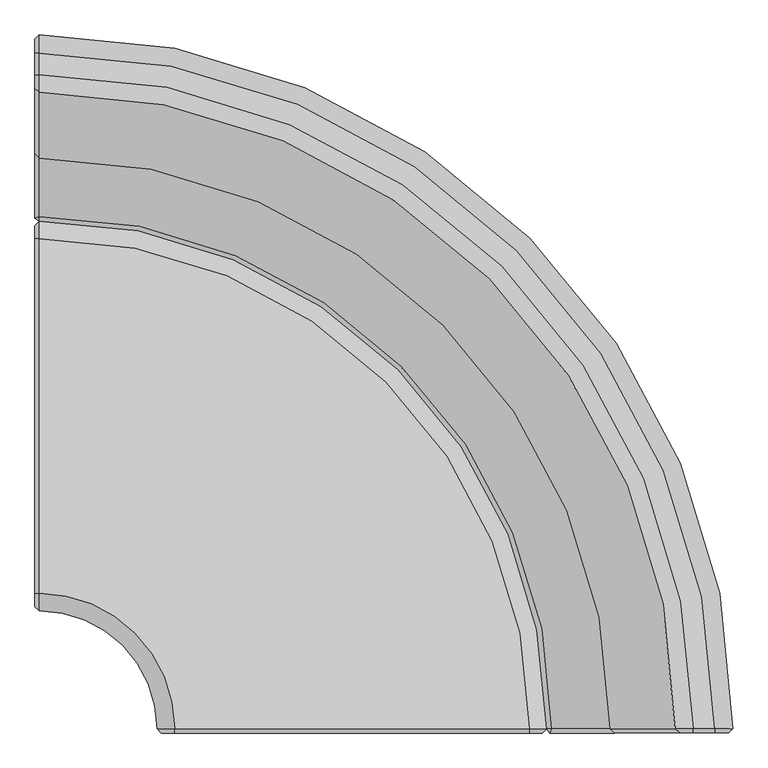
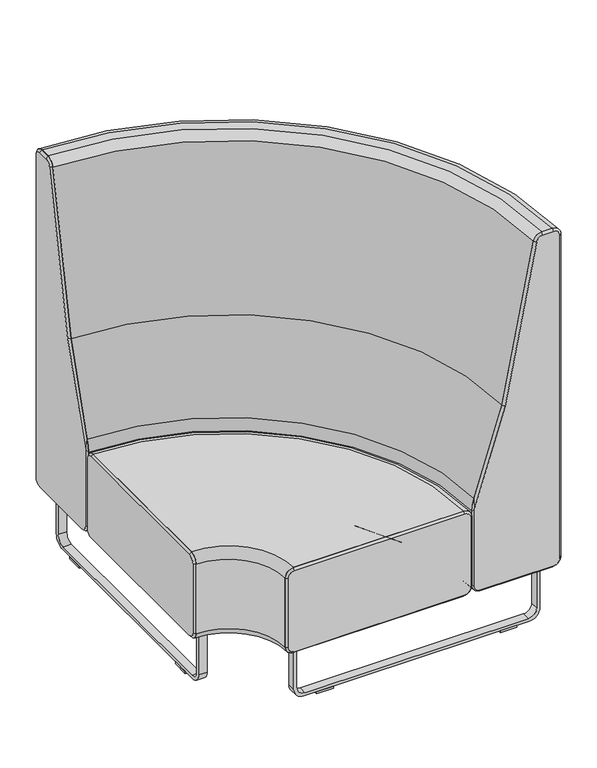
"""IFC4 building model written with IfcOpenShell, lengths in millimetres: furniture geometry."""

from ifc_helpers import new_model, si_unit, point, frame, frame_2d, origin, origin_with_axes, place, context, project, spatial, polyline, circle_curve, ellipse_curve, trimmed, segment, composite_curve, outline, extrude, source, transform, mapped, element, save
from ifc_brep_helpers import plane_surface, cylinder_surface, revolved_surface, spline_surface, advanced_brep


def furniture_26c36df7(model_context):
    return source(origin(), model_context, "Body", "SolidModel", [
        advanced_brep(
        [(-514.9320562, -692.0193165, 209.55), (-514.9320562, -692.0193165, 431.8), (-514.9320562, -666.6193165, 457.2), (-514.9320562, -150.2353139, 457.2), (-514.9320562, -124.8353139, 431.8), (-514.9320562, -124.8353139, 209.55), (-514.9320562, -150.2353139, 184.15), (-514.9320562, -666.6193165, 184.15), (-343.4820562, -863.4693165, 209.55), (-318.0820562, -863.4693165, 184.15), (198.3019463, -863.4693165, 184.15), (223.7019463, -863.4693165, 209.55), (223.7019463, -863.4693165, 431.8), (198.3019463, -863.4693165, 457.2), (-318.0820562, -863.4693165, 457.2), (-343.4820562, -863.4693165, 431.8)],
        [
            (0, 1),
            (1, 2, circle_curve(frame((-514.9320562, -666.6193165, 431.8), z_axis=(-1.0, 0.0, 0.0), x_axis=(0.0, -1.0, 0.0)), 25.4)),
            (2, 3),
            (3, 4, circle_curve(frame((-514.9320562, -150.2353139, 431.8), z_axis=(-1.0, 0.0, 0.0), x_axis=(0.0, -1.0, 0.0)), 25.4)),
            (4, 5),
            (5, 6, circle_curve(frame((-514.9320562, -150.2353139, 209.55), z_axis=(-1.0, 0.0, 0.0), x_axis=(0.0, -1.0, 0.0)), 25.4)),
            (6, 7),
            (7, 0, circle_curve(frame((-514.9320562, -666.6193165, 209.55), z_axis=(-1.0, 0.0, 0.0), x_axis=(0.0, -1.0, 0.0)), 25.4)),
            (8, 9, circle_curve(frame((-318.0820562, -863.4693165, 209.55), z_axis=(0.0, -1.0, 0.0), x_axis=(-1.0, 0.0, 0.0)), 25.4)),
            (9, 10),
            (10, 11, circle_curve(frame((198.3019463, -863.4693165, 209.55), z_axis=(0.0, -1.0, 0.0), x_axis=(-1.0, 0.0, 0.0)), 25.4)),
            (11, 12),
            (12, 13, circle_curve(frame((198.3019463, -863.4693165, 431.8), z_axis=(0.0, -1.0, 0.0), x_axis=(-1.0, 0.0, 0.0)), 25.4)),
            (13, 14),
            (14, 15, circle_curve(frame((-318.0820562, -863.4693165, 431.8), z_axis=(0.0, -1.0, 0.0), x_axis=(-1.0, 0.0, 0.0)), 25.4)),
            (15, 8),
            (15, 1, circle_curve(frame((-514.9320562, -863.4693165, 431.8), z_axis=(0.0, 0.0, 1.0), x_axis=(0.0, 1.0, 0.0)), 171.45)),
            (0, 8, circle_curve(frame((-514.9320562, -863.4693165, 209.55), z_axis=(0.0, 0.0, -1.0), x_axis=(0.0, 1.0, 0.0)), 171.45)),
            (14, 2, circle_curve(frame((-514.9320562, -863.4693165, 457.2), z_axis=(0.0, 0.0, 1.0), x_axis=(0.0, 1.0, 0.0)), 196.85)),
            (13, 3, circle_curve(frame((-514.9320562, -863.4693165, 457.2), z_axis=(0.0, 0.0, 1.0), x_axis=(0.0, 1.0, 0.0)), 713.2340025)),
            (12, 4, circle_curve(frame((-514.9320562, -863.4693165, 431.8), z_axis=(0.0, 0.0, 1.0), x_axis=(0.0, 1.0, 0.0)), 738.6340025)),
            (11, 5, circle_curve(frame((-514.9320562, -863.4693165, 209.55), z_axis=(0.0, 0.0, 1.0), x_axis=(0.0, 1.0, 0.0)), 738.6340025)),
            (10, 6, circle_curve(frame((-514.9320562, -863.4693165, 184.15), z_axis=(0.0, 0.0, 1.0), x_axis=(0.0, 1.0, 0.0)), 713.2340025)),
            (9, 7, circle_curve(frame((-514.9320562, -863.4693165, 184.15), z_axis=(0.0, 0.0, 1.0), x_axis=(0.0, 1.0, 0.0)), 196.85)),
        ],
        [
            plane_surface(frame((-514.9320562, -863.4693165, 574.4626339), z_axis=(-1.0, 0.0, 0.0), x_axis=(0.0, 1.0, 0.0))),
            plane_surface(frame((-514.9320562, -863.4693165, 574.4626339), z_axis=(0.0, -1.0, 0.0), x_axis=(1.0, 0.0, 0.0))),
            revolved_surface(polyline([(-514.9320562, -692.0193165000001, 209.55), (-514.9320562, -692.0193165000001, 431.8)]), (-514.9320562, -863.4693165, 574.4626339), (0.0, 0.0, -1.0)),
            revolved_surface(trimmed(ellipse_curve(frame((-514.9320562, -666.6193165, 431.8), z_axis=(-1.0, 0.0, 0.0), x_axis=(0.0, -1.0, 0.0)), 25.4, 25.4), [point((-514.9320562, -692.0193165, 431.8))], [point((-514.9320562, -666.6193165, 457.2))], True, "CARTESIAN"), (-514.9320562, -863.4693165, 574.4626339), (0.0, 0.0, -1.0)),
            plane_surface(frame((-514.9320562, -863.4693165, 457.2), z_axis=(0.0, 0.0, 1.0), x_axis=(0.0, 1.0, 0.0))),
            revolved_surface(trimmed(ellipse_curve(frame((-514.9320562, -150.2353139, 431.8), z_axis=(-1.0, 0.0, 0.0), x_axis=(0.0, -1.0, 0.0)), 25.4, 25.4), [point((-514.9320562, -150.2353139, 457.2))], [point((-514.9320562, -124.8353139, 431.8))], True, "CARTESIAN"), (-514.9320562, -863.4693165, 574.4626339), (0.0, 0.0, -1.0)),
            cylinder_surface(frame((-514.9320562, -863.4693165, 574.4626339), z_axis=(0.0, 0.0, -1.0), x_axis=(0.0, 1.0, 0.0)), 738.6340025),
            revolved_surface(trimmed(ellipse_curve(frame((-514.9320562, -150.2353139, 209.55), z_axis=(-1.0, 0.0, 0.0), x_axis=(0.0, -1.0, 0.0)), 25.4, 25.4), [point((-514.9320562, -124.8353139, 209.55))], [point((-514.9320562, -150.2353139, 184.15))], True, "CARTESIAN"), (-514.9320562, -863.4693165, 574.4626339), (0.0, 0.0, -1.0)),
            plane_surface(frame((-514.9320562, -863.4693165, 184.15), z_axis=(0.0, 0.0, -1.0), x_axis=(0.0, 1.0, 0.0))),
            revolved_surface(trimmed(ellipse_curve(frame((-514.9320562, -666.6193165, 209.55), z_axis=(-1.0, 0.0, 0.0), x_axis=(0.0, -1.0, 0.0)), 25.4, 25.4), [point((-514.9320562, -666.6193165, 184.15))], [point((-514.9320562, -692.0193165, 209.55))], True, "CARTESIAN"), (-514.9320562, -863.4693165, 574.4626339), (0.0, 0.0, -1.0)),
        ],
        [
            (0, [[1, 2, 3, 4, 5, 6, 7, 8]]),
            (1, [[9, 10, 11, 12, 13, 14, 15, 16]]),
            (2, [[17, -1, 18, -16]]),
            (3, [[19, -2, -17, -15]]),
            (4, [[20, -3, -19, -14]]),
            (5, [[21, -4, -20, -13]]),
            (6, [[22, -5, -21, -12]]),
            (7, [[23, -6, -22, -11]]),
            (8, [[24, -7, -23, -10]]),
            (9, [[-18, -8, -24, -9]]),
        ],
    ),
        advanced_brep(
        [(-318.0820562, -863.4693165, 457.2), (198.3019463, -863.4693165, 457.2), (223.7019463, -863.4693165, 431.8), (223.7019463, -863.4693165, 209.55), (198.3019463, -863.4693165, 184.15), (-318.0820562, -863.4693165, 184.15), (-343.4820562, -863.4693165, 209.55), (-343.4820562, -863.4693165, 431.8), (-318.0820562, -869.8193165, 450.85), (-337.1320562, -869.8193165, 431.8), (-337.1320562, -869.8193165, 209.55), (-318.0820562, -869.8193165, 190.5), (198.3019463, -869.8193165, 190.5), (217.3519463, -869.8193165, 209.55), (217.3519463, -869.8193165, 431.8), (198.3019463, -869.8193165, 450.85)],
        [
            (0, 1),
            (1, 2, circle_curve(frame((198.3019463, -863.4693165, 431.8), z_axis=(0.0, 1.0, 0.0), x_axis=(0.0, 0.0, 1.0)), 25.4)),
            (2, 3),
            (3, 4, circle_curve(frame((198.3019463, -863.4693165, 209.55), z_axis=(0.0, 1.0, 0.0), x_axis=(1.0, 0.0, 0.0)), 25.4)),
            (4, 5),
            (5, 6, circle_curve(frame((-318.0820562, -863.4693165, 209.55), z_axis=(0.0, 1.0, 0.0), x_axis=(0.0, 0.0, -1.0)), 25.4)),
            (6, 7),
            (7, 0, circle_curve(frame((-318.0820562, -863.4693165, 431.8), z_axis=(0.0, 1.0, 0.0), x_axis=(-1.0, 0.0, 0.0)), 25.4)),
            (8, 9, circle_curve(frame((-318.0820562, -869.8193165, 431.8), z_axis=(0.0, -1.0, 0.0), x_axis=(-1.0, 0.0, 0.0)), 19.05)),
            (9, 10),
            (10, 11, circle_curve(frame((-318.0820562, -869.8193165, 209.55), z_axis=(0.0, -1.0, 0.0), x_axis=(0.0, 0.0, -1.0)), 19.05)),
            (11, 12),
            (12, 13, circle_curve(frame((198.3019463, -869.8193165, 209.55), z_axis=(0.0, -1.0, 0.0), x_axis=(1.0, 0.0, 0.0)), 19.05)),
            (13, 14),
            (14, 15, circle_curve(frame((198.3019463, -869.8193165, 431.8), z_axis=(0.0, -1.0, 0.0), x_axis=(0.0, 0.0, 1.0)), 19.05)),
            (15, 8),
            (15, 1),
            (0, 8),
            (13, 3),
            (2, 14),
            (11, 5),
            (4, 12),
            (9, 7),
            (6, 10),
        ],
        [
            plane_surface(frame((-59.890055, -863.4693165, 320.675), z_axis=(0.0, 1.0, 0.0), x_axis=(-1.0, 0.0, 0.0))),
            plane_surface(frame((-59.890055, -869.8193165, 320.675), z_axis=(0.0, -1.0, 0.0), x_axis=(-1.0, 0.0, 0.0))),
            plane_surface(frame((-59.890055, -869.8193165, 450.85), z_axis=(0.0, -0.7071067811866982, 0.7071067811863968), x_axis=(1.0, 0.0, 0.0))),
            plane_surface(frame((217.3519463, -869.8193165, 320.675), z_axis=(0.7071067811863987, -0.7071067811866963, 0.0), x_axis=(0.0, 0.0, -1.0))),
            plane_surface(frame((-59.890055, -869.8193165, 190.5), z_axis=(0.0, -0.7071067811866814, -0.7071067811864138), x_axis=(-1.0, 0.0, 0.0))),
            plane_surface(frame((-337.1320562, -869.8193165, 320.675), z_axis=(-0.7071067811862235, -0.7071067811868715, 0.0), x_axis=(0.0, 0.0, 1.0))),
            revolved_surface(polyline([(-318.0820562, -869.8193165, 450.84999999999997), (-318.0820562, -863.4693165, 457.2)]), (-318.0820562, -888.8693165, 431.8), (0.0, 1.0, 0.0)),
            revolved_surface(polyline([(-337.13205619999997, -869.8193165, 209.55), (-343.4820562, -863.4693165, 209.55)]), (-318.0820562, -888.8693165, 209.55), (0.0, 1.0, 0.0)),
            revolved_surface(polyline([(198.3019463, -869.8193165, 190.50000000000003), (198.3019463, -863.4693165, 184.15)]), (198.3019463, -888.8693165, 209.55), (0.0, 1.0, 0.0)),
            revolved_surface(polyline([(217.35194629999998, -869.8193165, 431.8), (223.7019463, -863.4693165, 431.8)]), (198.3019463, -888.8693165, 431.8), (0.0, 1.0, 0.0)),
        ],
        [
            (0, [[1, 2, 3, 4, 5, 6, 7, 8]]),
            (1, [[9, 10, 11, 12, 13, 14, 15, 16]]),
            (2, [[-16, 17, -1, 18]]),
            (3, [[-14, 19, -3, 20]]),
            (4, [[-12, 21, -5, 22]]),
            (5, [[-10, 23, -7, 24]]),
            (6, [[-9, -18, -8, -23]]),
            (7, [[-11, -24, -6, -21]]),
            (8, [[-13, -22, -4, -19]]),
            (9, [[-15, -20, -2, -17]]),
        ],
    ),
        advanced_brep(
        [(488.3679438, -869.8193165, 209.55), (488.3679438, -869.8193165, 1243.6301753), (468.348119, -869.8193165, 1263.65), (436.6297808, -869.8193165, 1263.65), (417.2390977, -869.8193165, 1247.6591529), (321.64953, -869.8193165, 754.8593998), (228.2306685, -869.8193165, 456.75942), (228.2306685, -869.8193165, 209.55), (247.2806685, -869.8193165, 190.5), (469.3179438, -869.8193165, 190.5), (494.7179438, -863.4693165, 209.55), (469.3179438, -863.4693165, 184.15), (249.1019463, -863.4693165, 184.15), (223.7019463, -863.4693165, 209.55), (223.7019463, -863.4693165, 448.1421227), (230.4901948, -863.4693165, 485.2041409), (315.483564, -863.4693165, 756.4183397), (411.0052893, -863.4693165, 1248.8683399), (436.6297808, -863.4693165, 1270.0), (468.348119, -863.4693165, 1270.0), (494.7179438, -863.4693165, 1243.6301753)],
        [
            (0, 1),
            (1, 2, circle_curve(frame((468.348119, -869.8193165, 1243.6301753), z_axis=(0.0, -1.0, 0.0), x_axis=(1.0, 0.0, 0.0)), 20.0198247)),
            (2, 3),
            (3, 4, circle_curve(frame((436.6297808, -869.8193165, 1243.8978949), z_axis=(-1.0231815394944716e-12, -1.0, 1.1937117960768835e-12), x_axis=(0.0, 1.1937412963360274e-12, 1.0)), 19.7521051)),
            (4, 5),
            (5, 6),
            (6, 7),
            (7, 8, circle_curve(frame((247.2806685, -869.8193165, 209.55), z_axis=(0.0, -1.0, 0.0), x_axis=(-1.0, 0.0, 0.0)), 19.05)),
            (8, 9),
            (9, 0, circle_curve(frame((469.3179438, -869.8193165, 209.55), z_axis=(0.0, -1.0, 0.0), x_axis=(0.0, 0.0, -1.0)), 19.05)),
            (10, 11, circle_curve(frame((469.3179438, -863.4693165, 209.55), z_axis=(0.0, 1.0, 0.0), x_axis=(0.0, 0.0, -1.0)), 25.4)),
            (11, 12),
            (12, 13, circle_curve(frame((249.1019463, -863.4693165, 209.55), z_axis=(0.0, 1.0, 0.0), x_axis=(-1.0, 0.0, 0.0)), 25.4)),
            (13, 14),
            (14, 15, circle_curve(frame((377.5675162, -863.4693165, 439.112907), z_axis=(0.0, 1.0, 0.0), x_axis=(-1.0, 0.0, 0.0)), 154.1302707)),
            (15, 16),
            (16, 17),
            (17, 18, circle_curve(frame((436.6297808, -863.4693165, 1243.8978949), z_axis=(1.0231815394944716e-12, 1.0, -1.1937117960768835e-12), x_axis=(0.0, 1.1937412963360274e-12, 1.0)), 26.1021051)),
            (18, 19),
            (19, 20, circle_curve(frame((468.348119, -863.4693165, 1243.6301753), z_axis=(0.0, 1.0, 0.0), x_axis=(1.0, 0.0, 0.0)), 26.3698247)),
            (20, 10),
            (20, 1),
            (0, 10),
            (14, 6),
            (6, 15),
            (18, 3),
            (2, 19),
            (5, 16),
            (4, 17),
            (11, 9),
            (8, 12),
            (13, 7),
        ],
        [
            plane_surface(frame((379.3662364, -869.8193165, 703.0308148), z_axis=(0.0, -1.0, 0.0), x_axis=(-1.0, 0.0, 0.0))),
            plane_surface(frame((365.2015107, -863.4693165, 682.6966471), z_axis=(0.0, 1.0, 0.0), x_axis=(-1.0, 0.0, 0.0))),
            plane_surface(frame((494.7179438, -863.4693165, 726.5900876), z_axis=(0.707106781186653, -0.707106781186442, 0.0), x_axis=(0.0, 0.0, 1.0))),
            spline_surface(2, 1, [[(230.4901948, -863.4693165, 485.2041409), (228.2306685, -869.8193165, 456.75942)], [(224.813921366515, -863.4693165, 467.09112834580503), (228.2306685, -869.8193165, 456.75942)], [(223.7019463, -863.4693165, 448.1421227), (228.2306685, -869.8193165, 456.75942)]], [3, 3], [2, 2], [0.0, 1.0], [0.0, 1.0], weights=[[1.0, 1.0], [0.9925018546151732, 0.9925018546151732], [1.0, 1.0]]),
            plane_surface(frame((452.4889499, -863.4693165, 1270.0), z_axis=(0.0, -0.7071067811865098, 0.7071067811865852), x_axis=(-1.0, 0.0, 0.0))),
            plane_surface(frame((272.9868794, -863.4693165, 620.8112403), z_axis=(-0.674749813323075, -0.7071067811865439, 0.21145375243887468), x_axis=(-0.29904076451373685, 0.0, -0.954240337210202))),
            plane_surface(frame((363.2444266, -863.4693165, 1002.6433398), z_axis=(-0.6941682162911035, -0.7071067811864843, 0.1346494986671601), x_axis=(-0.19042314718181808, 0.0, -0.9817021060471307))),
            revolved_surface(polyline([(436.6297808, -869.8193165000008, 1263.6499999756718), (436.6297808, -863.4693164999688, 1270.0000000000312)]), (436.6297808, -889.5714215, 1243.8978949), (1.0231815394944716e-12, 1.0, -1.1937117960768835e-12)),
            revolved_surface(polyline([(488.3679437759194, -869.8193165, 1243.6301753), (494.7179438, -863.4693165, 1243.6301753)]), (468.348119, -889.8391412, 1243.6301753), (0.0, 1.0, 0.0)),
            plane_surface(frame((359.209945, -863.4693165, 184.15), z_axis=(0.0, -0.707106781186676, -0.707106781186419), x_axis=(1.0, 0.0, 0.0))),
            plane_surface(frame((223.7019463, -863.4693165, 328.8460613), z_axis=(-0.8141572679526575, -0.5806444204845722, 0.0), x_axis=(0.0, 0.0, -1.0))),
            revolved_surface(polyline([(469.3179438, -869.8193165, 190.50000000000003), (469.3179438, -863.4693165, 184.15)]), (469.3179438, -888.8693165, 209.55), (0.0, 1.0, 0.0)),
            spline_surface(2, 1, [[(223.7019463, -863.4693165, 209.55), (228.2306685, -869.8193165, 209.55)], [(223.7019463, -863.4693165, 184.15), (228.2306685, -869.8193165, 190.50000000000003)], [(249.1019463, -863.4693165, 184.15), (247.2806685, -869.8193165, 190.5)]], [3, 3], [2, 2], [0.0, 1.0], [0.0, 1.0], weights=[[1.0, 1.0], [0.7071067811865476, 0.7071067811865476], [1.0, 1.0]]),
        ],
        [
            (0, [[1, 2, 3, 4, 5, 6, 7, 8, 9, 10]]),
            (1, [[11, 12, 13, 14, 15, 16, 17, 18, 19, 20, 21]]),
            (2, [[-21, 22, -1, 23]]),
            (3, [[-15, 24, 25]]),
            (4, [[-19, 26, -3, 27]]),
            (5, [[-16, -25, -6, 28]]),
            (6, [[-17, -28, -5, 29]]),
            (7, [[-18, -29, -4, -26]]),
            (8, [[-20, -27, -2, -22]]),
            (9, [[-12, 30, -9, 31]]),
            (10, [[-14, 32, -7, -24]]),
            (11, [[-11, -23, -10, -30]]),
            (12, [[-13, -31, -8, -32]]),
        ],
    ),
        advanced_brep(
        [(-514.9320562, 119.8108588, 1270.0), (-514.9320562, 146.1806835, 1243.6301753), (-514.9320562, 146.1806835, 209.55), (-514.9320562, 120.7806835, 184.15), (-514.9320562, -99.4353139, 184.15), (-514.9320562, -124.8353139, 209.55), (-514.9320562, -124.8353139, 448.1421227), (-514.9320562, -118.0470655, 485.2041409), (-514.9320562, -33.0536962, 756.4183397), (-514.9320562, 62.4680291, 1248.8683399), (-514.9320562, 88.0925206, 1270.0), (468.348119, -863.4693165, 1270.0), (436.6297808, -863.4693165, 1270.0), (411.0052893, -863.4693165, 1248.8683399), (315.483564, -863.4693165, 756.4183397), (230.4901948, -863.4693165, 485.2041409), (223.7019463, -863.4693165, 448.1421227), (223.7019463, -863.4693165, 209.55), (249.1019463, -863.4693165, 184.15), (469.3179438, -863.4693165, 184.15), (494.7179438, -863.4693165, 209.55), (494.7179438, -863.4693165, 1243.6301753)],
        [
            (0, 1, circle_curve(frame((-514.9320562, 119.8108588, 1243.6301753), z_axis=(-1.0, 0.0, 0.0), x_axis=(0.0, 1.0, 0.0)), 26.3698247)),
            (1, 2),
            (2, 3, circle_curve(frame((-514.9320562, 120.7806835, 209.55), z_axis=(-1.0, 0.0, 0.0), x_axis=(0.0, 1.0, 0.0)), 25.4)),
            (3, 4),
            (4, 5, circle_curve(frame((-514.9320562, -99.4353139, 209.55), z_axis=(-1.0, 0.0, 0.0), x_axis=(0.0, 1.0, 0.0)), 25.4)),
            (5, 6),
            (6, 7, circle_curve(frame((-514.9320562, 29.030256, 439.112907), z_axis=(-1.0, 0.0, 0.0), x_axis=(0.0, 1.0, 0.0)), 154.1302707)),
            (7, 8),
            (8, 9),
            (9, 10, circle_curve(frame((-514.9320562, 88.0925206, 1243.8978949), z_axis=(-1.0, 0.0, 0.0), x_axis=(0.0, 1.0, 0.0)), 26.1021051)),
            (10, 0),
            (11, 12),
            (12, 13, circle_curve(frame((436.6297808, -863.4693165, 1243.8978949), z_axis=(0.0, -1.0, 0.0), x_axis=(1.0, 0.0, 0.0)), 26.1021051)),
            (13, 14),
            (14, 15),
            (15, 16, circle_curve(frame((377.5675162, -863.4693165, 439.112907), z_axis=(0.0, -1.0, 0.0), x_axis=(1.0, 0.0, 0.0)), 154.1302707)),
            (16, 17),
            (17, 18, circle_curve(frame((249.1019463, -863.4693165, 209.55), z_axis=(0.0, -1.0, 0.0), x_axis=(1.0, 0.0, 0.0)), 25.4)),
            (18, 19),
            (19, 20, circle_curve(frame((469.3179438, -863.4693165, 209.55), z_axis=(0.0, -1.0, 0.0), x_axis=(1.0, 0.0, 0.0)), 25.4)),
            (20, 21),
            (21, 11, circle_curve(frame((468.348119, -863.4693165, 1243.6301753), z_axis=(0.0, -1.0, 0.0), x_axis=(1.0, 0.0, 0.0)), 26.3698247)),
            (21, 1, circle_curve(frame((-514.9320562, -863.4693165, 1243.6301753), z_axis=(0.0, 0.0, 1.0), x_axis=(0.0, 1.0, 0.0)), 1009.65)),
            (0, 11, circle_curve(frame((-514.9320562, -863.4693165, 1270.0), z_axis=(0.0, 0.0, -1.0), x_axis=(0.0, 1.0, 0.0)), 983.2801753)),
            (20, 2, circle_curve(frame((-514.9320562, -863.4693165, 209.55), z_axis=(0.0, 0.0, 1.0), x_axis=(0.0, 1.0, 0.0)), 1009.65)),
            (19, 3, circle_curve(frame((-514.9320562, -863.4693165, 184.15), z_axis=(0.0, 0.0, 1.0), x_axis=(0.0, 1.0, 0.0)), 984.25)),
            (18, 4, circle_curve(frame((-514.9320562, -863.4693165, 184.15), z_axis=(0.0, 0.0, 1.0), x_axis=(0.0, 1.0, 0.0)), 764.0340025)),
            (17, 5, circle_curve(frame((-514.9320562, -863.4693165, 209.55), z_axis=(0.0, 0.0, 1.0), x_axis=(0.0, 1.0, 0.0)), 738.6340025)),
            (16, 6, circle_curve(frame((-514.9320562, -863.4693165, 448.1421227), z_axis=(0.0, 0.0, 1.0), x_axis=(0.0, 1.0, 0.0)), 738.6340025)),
            (15, 7, circle_curve(frame((-514.9320562, -863.4693165, 485.2041409), z_axis=(0.0, 0.0, 1.0), x_axis=(0.0, 1.0, 0.0)), 745.422251)),
            (14, 8, circle_curve(frame((-514.9320562, -863.4693165, 756.4183397), z_axis=(0.0, 0.0, 1.0), x_axis=(0.0, 1.0, 0.0)), 830.4156202)),
            (13, 9, circle_curve(frame((-514.9320562, -863.4693165, 1248.8683399), z_axis=(0.0, 0.0, 1.0), x_axis=(0.0, 1.0, 0.0)), 925.9373455)),
            (12, 10, circle_curve(frame((-514.9320562, -863.4693165, 1270.0), z_axis=(0.0, 0.0, 1.0), x_axis=(0.0, 1.0, 0.0)), 951.561837)),
        ],
        [
            plane_surface(frame((-514.9320562, -863.4693165, 971.55), z_axis=(-1.0, 0.0, 0.0), x_axis=(0.0, 1.0, 0.0))),
            plane_surface(frame((-514.9320562, -863.4693165, 971.55), z_axis=(0.0, -1.0, 0.0), x_axis=(1.0, 0.0, 0.0))),
            revolved_surface(trimmed(ellipse_curve(frame((-514.9320562, 119.8108588, 1243.6301753), z_axis=(1.0, 0.0, 0.0), x_axis=(0.0, 1.0, 0.0)), 26.3698247, 26.3698247), [point((-514.9320562, 146.1806835, 1243.6301753))], [point((-514.9320562, 119.8108588, 1270.0))], True, "CARTESIAN"), (-514.9320562, -863.4693165, 971.55), (0.0, 0.0, 1.0)),
            cylinder_surface(frame((-514.9320562, -863.4693165, 971.55), z_axis=(0.0, 0.0, 1.0), x_axis=(0.0, 1.0, 0.0)), 1009.65),
            revolved_surface(trimmed(ellipse_curve(frame((-514.9320562, 120.7806835, 209.55), z_axis=(1.0, 0.0, 0.0), x_axis=(0.0, 1.0, 0.0)), 25.4, 25.4), [point((-514.9320562, 120.7806835, 184.15))], [point((-514.9320562, 146.1806835, 209.55))], True, "CARTESIAN"), (-514.9320562, -863.4693165, 971.55), (0.0, 0.0, 1.0)),
            plane_surface(frame((-514.9320562, -863.4693165, 184.15), z_axis=(0.0, 0.0, -1.0), x_axis=(0.0, 1.0, 0.0))),
            revolved_surface(trimmed(ellipse_curve(frame((-514.9320562, -99.4353139, 209.55), z_axis=(1.0, 0.0, 0.0), x_axis=(0.0, 1.0, 0.0)), 25.4, 25.4), [point((-514.9320562, -124.8353139, 209.55))], [point((-514.9320562, -99.4353139, 184.15))], True, "CARTESIAN"), (-514.9320562, -863.4693165, 971.55), (0.0, 0.0, 1.0)),
            revolved_surface(polyline([(-514.9320562, -124.83531400000004, 448.1421227000001), (-514.9320562, -124.83531400000004, 209.54999999999995)]), (-514.9320562, -863.4693165, 971.55), (0.0, 0.0, 1.0)),
            revolved_surface(trimmed(ellipse_curve(frame((-514.9320562, 29.030256, 439.112907), z_axis=(1.0, 0.0, 0.0), x_axis=(0.0, 1.0, 0.0)), 154.1302707, 154.1302707), [point((-514.9320562, -118.0470655, 485.2041409))], [point((-514.9320562, -124.8353139, 448.1421227))], True, "CARTESIAN"), (-514.9320562, -863.4693165, 971.55), (0.0, 0.0, 1.0)),
            revolved_surface(polyline([(-514.9320562, -33.0536962, 756.4183397), (-514.9320562, -118.0470655, 485.2041409)]), (-514.9320562, -863.4693165, 971.55), (0.0, 0.0, 1.0)),
            revolved_surface(polyline([(-514.9320562, 62.4680291, 1248.8683399), (-514.9320562, -33.0536962, 756.4183397)]), (-514.9320562, -863.4693165, 971.55), (0.0, 0.0, 1.0)),
            revolved_surface(trimmed(ellipse_curve(frame((-514.9320562, 88.0925206, 1243.8978949), z_axis=(1.0, 0.0, 0.0), x_axis=(0.0, 1.0, 0.0)), 26.1021051, 26.1021051), [point((-514.9320562, 88.0925206, 1270.0))], [point((-514.9320562, 62.4680291, 1248.8683399))], True, "CARTESIAN"), (-514.9320562, -863.4693165, 971.55), (0.0, 0.0, 1.0)),
            plane_surface(frame((-514.9320562, -863.4693165, 1270.0), z_axis=(0.0, 0.0, 1.0), x_axis=(0.0, 1.0, 0.0))),
        ],
        [
            (0, [[1, 2, 3, 4, 5, 6, 7, 8, 9, 10, 11]]),
            (1, [[12, 13, 14, 15, 16, 17, 18, 19, 20, 21, 22]]),
            (2, [[23, -1, 24, -22]]),
            (3, [[25, -2, -23, -21]]),
            (4, [[26, -3, -25, -20]]),
            (5, [[27, -4, -26, -19]]),
            (6, [[28, -5, -27, -18]]),
            (7, [[29, -6, -28, -17]]),
            (8, [[30, -7, -29, -16]]),
            (9, [[31, -8, -30, -15]]),
            (10, [[32, -9, -31, -14]]),
            (11, [[33, -10, -32, -13]]),
            (12, [[-24, -11, -33, -12]]),
        ],
    ),
        advanced_brep(
        [(-514.9320562, -666.6193165, 457.2), (-514.9320562, -692.0193165, 431.8), (-514.9320562, -692.0193165, 209.55), (-514.9320562, -666.6193165, 184.15), (-514.9320562, -150.2353139, 184.15), (-514.9320562, -124.8353139, 209.55), (-514.9320562, -124.8353139, 431.8), (-514.9320562, -150.2353139, 457.2), (-521.2820562, -666.6193165, 450.85), (-521.2820562, -150.2353139, 450.85), (-521.2820562, -131.1853139, 431.8), (-521.2820562, -131.1853139, 209.55), (-521.2820562, -150.2353139, 190.5), (-521.2820562, -666.6193165, 190.5), (-521.2820562, -685.6693165, 209.55), (-521.2820562, -685.6693165, 431.8)],
        [
            (0, 1, circle_curve(frame((-514.9320562, -666.6193165, 431.8), z_axis=(1.0, 0.0, 0.0), x_axis=(0.0, 0.0, 1.0)), 25.4)),
            (1, 2),
            (2, 3, circle_curve(frame((-514.9320562, -666.6193165, 209.55), z_axis=(1.0, 0.0, 0.0), x_axis=(0.0, -1.0, 0.0)), 25.4)),
            (3, 4),
            (4, 5, circle_curve(frame((-514.9320562, -150.2353139, 209.55), z_axis=(1.0, 0.0, 0.0), x_axis=(0.0, 0.0, -1.0)), 25.4)),
            (5, 6),
            (6, 7, circle_curve(frame((-514.9320562, -150.2353139, 431.8), z_axis=(1.0, 0.0, 0.0), x_axis=(0.0, 1.0, 0.0)), 25.4)),
            (7, 0),
            (8, 9),
            (9, 10, circle_curve(frame((-521.2820562, -150.2353139, 431.8), z_axis=(-1.0, 0.0, 0.0), x_axis=(0.0, 1.0, 0.0)), 19.05)),
            (10, 11),
            (11, 12, circle_curve(frame((-521.2820562, -150.2353139, 209.55), z_axis=(-1.0, 0.0, 0.0), x_axis=(0.0, 0.0, -1.0)), 19.05)),
            (12, 13),
            (13, 14, circle_curve(frame((-521.2820562, -666.6193165, 209.55), z_axis=(-1.0, 0.0, 0.0), x_axis=(0.0, -1.0, 0.0)), 19.05)),
            (14, 15),
            (15, 8, circle_curve(frame((-521.2820562, -666.6193165, 431.8), z_axis=(-1.0, 0.0, 0.0), x_axis=(0.0, 0.0, 1.0)), 19.05)),
            (8, 0),
            (7, 9),
            (10, 6),
            (5, 11),
            (12, 4),
            (3, 13),
            (14, 2),
            (1, 15),
        ],
        [
            plane_surface(frame((-514.9320562, -408.4273152, 320.675), z_axis=(1.0, 0.0, 0.0), x_axis=(0.0, 1.0, 0.0))),
            plane_surface(frame((-521.2820562, -408.4273152, 320.675), z_axis=(-1.0, 0.0, 0.0), x_axis=(0.0, 1.0, 0.0))),
            plane_surface(frame((-521.2820562, -408.4273152, 450.85), z_axis=(-0.7071067811866982, 0.0, 0.7071067811863968), x_axis=(0.0, -1.0, 0.0))),
            plane_surface(frame((-521.2820562, -131.1853139, 320.675), z_axis=(-0.7071067811866973, 0.7071067811863977, 0.0), x_axis=(0.0, 0.0, 1.0))),
            plane_surface(frame((-521.2820562, -408.4273152, 190.5), z_axis=(-0.7071067811866814, 0.0, -0.7071067811864138), x_axis=(0.0, 1.0, 0.0))),
            plane_surface(frame((-521.2820562, -685.6693165, 320.675), z_axis=(-0.7071067811868715, -0.7071067811862235, 0.0), x_axis=(0.0, 0.0, -1.0))),
            revolved_surface(polyline([(-521.2820562, -685.6693164999999, 431.8), (-514.9320562, -692.0193165, 431.8)]), (-540.3320562, -666.6193165, 431.8), (1.0, 0.0, 0.0)),
            revolved_surface(polyline([(-521.2820562, -666.6193165, 190.50000000000003), (-514.9320562, -666.6193165, 184.15)]), (-540.3320562, -666.6193165, 209.55), (1.0, 0.0, 0.0)),
            revolved_surface(polyline([(-521.2820562, -131.18531390000004, 209.55), (-514.9320562, -124.8353139, 209.55)]), (-540.3320562, -150.2353139, 209.55), (1.0, 0.0, 0.0)),
            revolved_surface(polyline([(-521.2820562, -150.2353139, 450.84999999999997), (-514.9320562, -150.2353139, 457.2)]), (-540.3320562, -150.2353139, 431.8), (1.0, 0.0, 0.0)),
        ],
        [
            (0, [[1, 2, 3, 4, 5, 6, 7, 8]]),
            (1, [[9, 10, 11, 12, 13, 14, 15, 16]]),
            (2, [[-9, 17, -8, 18]]),
            (3, [[-11, 19, -6, 20]]),
            (4, [[-13, 21, -4, 22]]),
            (5, [[-15, 23, -2, 24]]),
            (6, [[-16, -24, -1, -17]]),
            (7, [[-14, -22, -3, -23]]),
            (8, [[-12, -20, -5, -21]]),
            (9, [[-10, -18, -7, -19]]),
        ],
    ),
        advanced_brep(
        [(-521.2820562, 139.8306835, 209.55), (-521.2820562, 120.7806835, 190.5), (-521.2820562, -101.2565917, 190.5), (-521.2820562, -120.3065917, 209.55), (-521.2820562, -120.3065917, 456.75942), (-521.2820562, -26.8877303, 754.8593998), (-521.2820562, 68.7018374, 1247.6591529), (-521.2820562, 88.0925206, 1263.65), (-521.2820562, 119.8108588, 1263.65), (-521.2820562, 139.8306835, 1243.6301753), (-514.9320562, 146.1806835, 209.55), (-514.9320562, 146.1806835, 1243.6301753), (-514.9320562, 119.8108588, 1270.0), (-514.9320562, 88.0925206, 1270.0), (-514.9320562, 62.4680291, 1248.8683399), (-514.9320562, -33.0536962, 756.4183397), (-514.9320562, -118.0470655, 485.2041409), (-514.9320562, -124.8353139, 448.1421227), (-514.9320562, -124.8353139, 209.55), (-514.9320562, -99.4353139, 184.15), (-514.9320562, 120.7806835, 184.15)],
        [
            (0, 1, circle_curve(frame((-521.2820562, 120.7806835, 209.55), z_axis=(-1.0, 0.0, 0.0), x_axis=(0.0, 1.0, 0.0)), 19.05)),
            (1, 2),
            (2, 3, circle_curve(frame((-521.2820562, -101.2565917, 209.55), z_axis=(-1.0, 0.0, 0.0), x_axis=(0.0, -1.0, 0.0)), 19.05)),
            (3, 4),
            (4, 5),
            (5, 6),
            (6, 7, circle_curve(frame((-521.2820562, 88.0925206, 1243.8978949), z_axis=(-1.0, -1.0205170042353714e-12, 1.1937117960768835e-12), x_axis=(1.2292253859022004e-12, -0.9817021060471204, 0.19042314718187087)), 19.7521051)),
            (7, 8),
            (8, 9, circle_curve(frame((-521.2820562, 119.8108588, 1243.6301753), z_axis=(-1.0, 0.0, 0.0), x_axis=(0.0, 0.0, 1.0)), 20.0198247)),
            (9, 0),
            (10, 11),
            (11, 12, circle_curve(frame((-514.9320562, 119.8108588, 1243.6301753), z_axis=(1.0, 0.0, 0.0), x_axis=(0.0, 0.0, 1.0)), 26.3698247)),
            (12, 13),
            (13, 14, circle_curve(frame((-514.9320562, 88.0925206, 1243.8978949), z_axis=(1.0, 1.0205170042353714e-12, -1.1937117960768835e-12), x_axis=(1.2292253859022004e-12, -0.9817021060471204, 0.19042314718187087)), 26.1021051)),
            (14, 15),
            (15, 16),
            (16, 17, circle_curve(frame((-514.9320562, 29.030256, 439.112907), z_axis=(1.0, 0.0, 0.0), x_axis=(0.0, -1.0, 0.0)), 154.1302707)),
            (17, 18),
            (18, 19, circle_curve(frame((-514.9320562, -99.4353139, 209.55), z_axis=(1.0, 0.0, 0.0), x_axis=(0.0, -1.0, 0.0)), 25.4)),
            (19, 20),
            (20, 10, circle_curve(frame((-514.9320562, 120.7806835, 209.55), z_axis=(1.0, 0.0, 0.0), x_axis=(0.0, 1.0, 0.0)), 25.4)),
            (10, 0),
            (9, 11),
            (16, 4),
            (4, 17),
            (12, 8),
            (7, 13),
            (15, 5),
            (14, 6),
            (19, 2),
            (1, 20),
            (3, 18),
        ],
        [
            plane_surface(frame((-521.2820562, 30.8289762, 703.0308148), z_axis=(-1.0, 0.0, 0.0), x_axis=(0.0, 1.0, 0.0))),
            plane_surface(frame((-514.9320562, 16.6642505, 682.6966471), z_axis=(1.0, 0.0, 0.0), x_axis=(0.0, 1.0, 0.0))),
            plane_surface(frame((-514.9320562, 146.1806835, 726.5900876), z_axis=(-0.707106781186443, 0.7071067811866522, 0.0), x_axis=(0.0, 0.0, -1.0))),
            spline_surface(2, 1, [[(-514.9320562, -124.8353139, 448.1421227), (-521.2820562, -120.3065917, 456.75942)], [(-514.9320562, -123.72333894153618, 467.0911283562987), (-521.2820562, -120.3065917, 456.75942)], [(-514.9320562, -118.0470655, 485.2041409), (-521.2820562, -120.3065917, 456.75942)]], [3, 3], [2, 2], [0.0, 1.0], [0.0, 1.0], weights=[[1.0, 1.0], [0.9925018544290458, 0.9925018544290458], [1.0, 1.0]]),
            plane_surface(frame((-514.9320562, 103.9516897, 1270.0), z_axis=(-0.707106781186506, 0.0, 0.707106781186589), x_axis=(0.0, 1.0, 0.0))),
            plane_surface(frame((-514.9320562, -75.5503809, 620.8112403), z_axis=(-0.7071067811865588, -0.6747498133230609, 0.21145375243886977), x_axis=(0.0, 0.29904076451373685, 0.954240337210202))),
            plane_surface(frame((-514.9320562, 14.7071664, 1002.6433398), z_axis=(-0.7071067811864734, -0.6941682162911142, 0.13464949866716192), x_axis=(0.0, 0.19042314718181808, 0.9817021060471307))),
            revolved_surface(polyline([(-521.2820562, 68.70183746149497, 1247.6591529156904), (-514.932056199968, 62.468029099968504, 1248.868339900006)]), (-541.0341613, 88.0925206, 1243.8978949), (1.0, 1.0205170042353714e-12, -1.1937117960768835e-12)),
            revolved_surface(polyline([(-521.2820562, 119.8108588, 1263.6500000240806), (-514.9320562, 119.8108588, 1270.0)]), (-541.301881, 119.8108588, 1243.6301753), (1.0, 0.0, 0.0)),
            plane_surface(frame((-514.9320562, 10.6726848, 184.15), z_axis=(-0.7071067811866721, 0.0, -0.7071067811864229), x_axis=(0.0, -1.0, 0.0))),
            plane_surface(frame((-514.9320562, -124.8353139, 328.8460613), z_axis=(-0.5806444204845709, -0.8141572679526585, 0.0), x_axis=(0.0, 0.0, 1.0))),
            revolved_surface(polyline([(-521.2820562, 139.83068349999996, 209.55), (-514.9320562, 146.1806835, 209.55)]), (-540.3320562, 120.7806835, 209.55), (1.0, 0.0, 0.0)),
            spline_surface(2, 1, [[(-514.9320562, -99.4353139, 184.15), (-521.2820562, -101.2565917, 190.5)], [(-514.9320562, -124.8353139, 184.15), (-521.2820562, -120.30659170000001, 190.5)], [(-514.9320562, -124.8353139, 209.55), (-521.2820562, -120.3065917, 209.55)]], [3, 3], [2, 2], [0.0, 1.0], [0.0, 1.0], weights=[[1.0, 1.0], [0.7071067811865476, 0.7071067811865476], [1.0, 1.0]]),
        ],
        [
            (0, [[1, 2, 3, 4, 5, 6, 7, 8, 9, 10]]),
            (1, [[11, 12, 13, 14, 15, 16, 17, 18, 19, 20, 21]]),
            (2, [[-11, 22, -10, 23]]),
            (3, [[-17, 24, 25]]),
            (4, [[-13, 26, -8, 27]]),
            (5, [[-16, 28, -5, -24]]),
            (6, [[-15, 29, -6, -28]]),
            (7, [[-14, -27, -7, -29]]),
            (8, [[-12, -23, -9, -26]]),
            (9, [[-20, 30, -2, 31]]),
            (10, [[-18, -25, -4, 32]]),
            (11, [[-21, -31, -1, -22]]),
            (12, [[-19, -32, -3, -30]]),
        ],
    ),
        extrude(outline(polyline([(-41.8307264, -457.7199075), (-84.4869344, -415.0636995), (-41.8307521, -372.4075172), (0.825456, -415.0637252), (-41.8307264, -457.7199075)])), frame((0.0, 0.0, 177.8), z_axis=(0.0, 0.0, 1.0), x_axis=(1.0, 0.0, 0.0)), (0.0, 0.0, 1.0), 6.35),
        extrude(outline(polyline([(200.6361889, -215.2529922), (157.9799713, -257.9092099), (115.3237633, -215.2530019), (157.9799809, -172.5967842), (200.6361889, -215.2529922)])), frame((0.0, 0.0, 177.8), z_axis=(0.0, 0.0, 1.0), x_axis=(1.0, 0.0, 0.0)), (0.0, 0.0, 1.0), 6.35),
        extrude(outline(polyline([(-17.0819837, -383.579739), (-35.0424788, -365.6192439), (0.8785114, -329.6982537), (18.8390065, -347.6587488), (-17.0819837, -383.579739)])), origin_with_axes(), (0.0, 0.0, 1.0), 6.35),
        extrude(outline(polyline([(126.4960365, -240.0017188), (90.5750077, -275.9227476), (72.6145126, -257.9622525), (108.5355414, -222.0412237), (126.4960365, -240.0017188)])), origin_with_axes(), (0.0, 0.0, 1.0), 6.35),
        extrude(outline(composite_curve([segment(polyline([(-139.7, 0.0), (0.0, 0.0), (0.0, -9.525), (-136.525, -9.525)]), True, "CONTINUOUS"), segment(trimmed(circle_curve(frame_2d((-136.525, -34.925)), 25.4), [point((-136.525, -9.525))], [point((-161.925, -34.925))], True, "CARTESIAN"), True, "CONTINUOUS"), segment(polyline([(-161.925, -34.925), (-161.925, -307.975)]), True, "CONTINUOUS"), segment(trimmed(circle_curve(frame_2d((-136.525, -307.975)), 25.4), [point((-161.925, -307.975))], [point((-136.525, -333.375))], True, "CARTESIAN"), True, "CONTINUOUS"), segment(polyline([(-136.525, -333.375), (0.0, -333.375), (0.0, -342.9), (-139.7, -342.9)]), True, "CONTINUOUS"), segment(trimmed(circle_curve(frame_2d((-139.7, -311.15)), 31.75), [point((-139.7, -342.9))], [point((-171.45, -311.15))], False, "CARTESIAN"), True, "CONTINUOUS"), segment(polyline([(-171.45, -311.15), (-171.45, -31.75)]), True, "CONTINUOUS"), segment(trimmed(circle_curve(frame_2d((-139.7, -31.75)), 31.75), [point((-171.45, -31.75))], [point((-139.7, 0.0))], False, "CARTESIAN"), True, "CONTINUOUS")], self_intersect=False)), frame((175.940476, -190.5572793, 177.8), z_axis=(-0.7071067811865493, 0.7071067811865458, 0.0), x_axis=(0.0, 0.0, 1.0)), (0.0, 0.0, 1.0), 25.3999758),
        extrude(outline(polyline([(-298.6351812, -769.9060473), (-238.3039634, -769.9060473), (-238.3039634, -830.2310352), (-298.6351812, -830.2310352), (-298.6351812, -769.9060473)])), frame((0.0, 0.0, 177.8), z_axis=(0.0, 0.0, 1.0), x_axis=(1.0, 0.0, 0.0)), (0.0, 0.0, 1.0), 6.35),
        extrude(outline(polyline([(449.8710688, -769.9060473), (449.8710688, -830.2310352), (389.5460673, -830.2310352), (389.5460673, -769.9060473), (449.8710688, -769.9060473)])), frame((0.0, 0.0, 177.8), z_axis=(0.0, 0.0, 1.0), x_axis=(1.0, 0.0, 0.0)), (0.0, 0.0, 1.0), 6.35),
        extrude(outline(polyline([(-228.7038953, -804.8310594), (-177.9039438, -804.8310594), (-177.9039438, -830.2310352), (-228.7038953, -830.2310352), (-228.7038953, -804.8310594)])), origin_with_axes(), (0.0, 0.0, 1.0), 6.35),
        extrude(outline(polyline([(379.9460718, -804.8310594), (379.9460718, -830.2310352), (329.1460658, -830.2310352), (329.1460658, -804.8310594), (379.9460718, -804.8310594)])), origin_with_axes(), (0.0, 0.0, 1.0), 6.35),
        extrude(outline(composite_curve([segment(polyline([(38.1, 449.8710688), (177.8, 449.8710688), (177.8, 440.3460688), (41.275, 440.3460688)]), True, "CONTINUOUS"), segment(trimmed(circle_curve(frame_2d((41.275, 414.9460688)), 25.4), [point((41.275, 440.3460688))], [point((15.875, 414.9460688))], True, "CARTESIAN"), True, "CONTINUOUS"), segment(polyline([(15.875, 414.9460688), (15.875, -263.703915)]), True, "CONTINUOUS"), segment(trimmed(circle_curve(frame_2d((41.275, -263.703915)), 25.4), [point((15.875, -263.703915))], [point((41.275, -289.103915))], True, "CARTESIAN"), True, "CONTINUOUS"), segment(polyline([(41.275, -289.103915), (177.8, -289.103915), (177.8, -298.6351812), (38.1, -298.6351812)]), True, "CONTINUOUS"), segment(trimmed(circle_curve(frame_2d((38.1, -266.8851812)), 31.75), [point((38.1, -298.6351812))], [point((6.35, -266.8851812))], False, "CARTESIAN"), True, "CONTINUOUS"), segment(polyline([(6.35, -266.8851812), (6.35, 418.1210688)]), True, "CONTINUOUS"), segment(trimmed(circle_curve(frame_2d((38.1, 418.1210688)), 31.75), [point((6.35, 418.1210688))], [point((38.1, 449.8710688))], False, "CARTESIAN"), True, "CONTINUOUS")], self_intersect=False)), frame((0.0, -830.2310352, 0.0), z_axis=(0.0, 1.0, 0.0), x_axis=(0.0, 0.0, 1.0)), (0.0, 0.0, 1.0), 25.3999758),
        extrude(outline(polyline([(-421.3687871, -647.1692924), (-481.693775, -647.1692924), (-481.693775, -586.8412236), (-421.3687871, -586.8412236), (-421.3687871, -647.1692924)])), frame((0.0, 0.0, 177.8), z_axis=(0.0, 0.0, 1.0), x_axis=(1.0, 0.0, 0.0)), (0.0, 0.0, 1.0), 6.35),
        extrude(outline(polyline([(-421.3687871, 101.3338085), (-421.3687871, 41.008807), (-481.693775, 41.008807), (-481.693775, 101.3338085), (-421.3687871, 101.3338085)])), frame((0.0, 0.0, 177.8), z_axis=(0.0, 0.0, 1.0), x_axis=(1.0, 0.0, 0.0)), (0.0, 0.0, 1.0), 6.35),
        extrude(outline(polyline([(-456.2937992, -577.2411555), (-481.693775, -577.2411555), (-481.693775, -526.441204), (-456.2937992, -526.441204), (-456.2937992, -577.2411555)])), origin_with_axes(), (0.0, 0.0, 1.0), 6.35),
        extrude(outline(polyline([(-456.2937992, 31.4088116), (-456.2937992, -19.3911945), (-481.693775, -19.3911945), (-481.693775, 31.4088116), (-456.2937992, 31.4088116)])), origin_with_axes(), (0.0, 0.0, 1.0), 6.35),
        extrude(outline(composite_curve([segment(trimmed(circle_curve(frame_2d((69.5838085, 38.1)), 31.75), [point((101.3338085, 38.1))], [point((69.5838085, 6.35))], False, "CARTESIAN"), True, "CONTINUOUS"), segment(polyline([(69.5838085, 6.35), (-615.4192924, 6.35)]), True, "CONTINUOUS"), segment(trimmed(circle_curve(frame_2d((-615.4192924, 38.1)), 31.75), [point((-615.4192924, 6.35))], [point((-647.1692924, 38.1))], False, "CARTESIAN"), True, "CONTINUOUS"), segment(polyline([(-647.1692924, 38.1), (-647.1692924, 177.8), (-637.6411752, 177.8), (-637.6411752, 41.275)]), True, "CONTINUOUS"), segment(trimmed(circle_curve(frame_2d((-612.2411752, 41.275)), 25.4), [point((-637.6411752, 41.275))], [point((-612.2411752, 15.875))], True, "CARTESIAN"), True, "CONTINUOUS"), segment(polyline([(-612.2411752, 15.875), (66.4088085, 15.875)]), True, "CONTINUOUS"), segment(trimmed(circle_curve(frame_2d((66.4088085, 41.275)), 25.4), [point((66.4088085, 15.875))], [point((91.8088085, 41.275))], True, "CARTESIAN"), True, "CONTINUOUS"), segment(polyline([(91.8088085, 41.275), (91.8088085, 177.8), (101.3338085, 177.8), (101.3338085, 38.1)]), True, "CONTINUOUS")], self_intersect=False)), frame((-481.693775, 0.0, 0.0), z_axis=(1.0, 0.0, 0.0), x_axis=(0.0, 1.0, 0.0)), (0.0, 0.0, 1.0), 25.3999758),
    ])


if __name__ == "__main__":
    model = new_model("IFC4")
    model_context = context("Model", 3, world=origin())
    ifc_project = project(units=[si_unit("LENGTHUNIT", "METRE", prefix="MILLI")], contexts=[model_context])
    site = spatial("IfcSite", under=ifc_project)
    building = spatial("IfcBuilding", under=site)
    placement = place(None, origin())
    furniture_shape = furniture_26c36df7(model_context)
    element("IfcFurniture", 1, at=placement, inside=building, context=model_context, shape_type="MappedRepresentation", body=[
        mapped(furniture_shape, transform((0.0, 0.0, 0.0), x_axis=(1.0, 0.0, 0.0), y_axis=(0.0, 1.0, 0.0), z_axis=(0.0, 0.0, 1.0))),
    ])
    save(model, "model.ifc")
